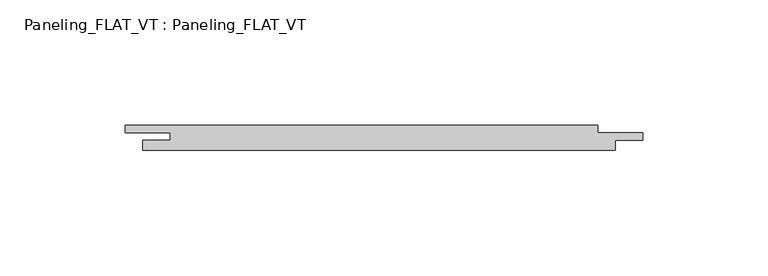
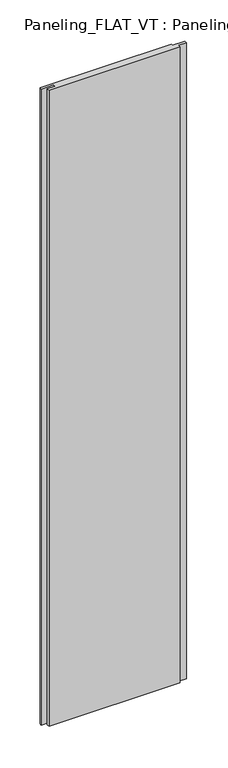
"""IFC4 building model written with IfcOpenShell, lengths in millimetres: plate geometry, Paneling_FLAT_VT : Paneling_FLAT_VT."""

from ifc_helpers import new_model, si_unit, origin, origin_with_axes, place, context, project, spatial, polyline, outline, extrude, source, transform, mapped, element, save


def paneling_flat_vt_paneling_flat_vt_b7be9dba(model_context):
    return source(origin(), model_context, "Body", "SweptSolid", [
        extrude(outline(polyline([(87.5, 5.0), (87.5, 2.0), (105.5, 2.0), (105.5, -1.0), (94.5, -1.0), (94.5, -5.0), (-94.5, -5.0), (-94.5, -1.0), (-83.5, -1.0), (-83.5, 2.0), (-101.5, 2.0), (-101.5, 5.0), (87.5, 5.0)])), origin_with_axes(), (0.0, 0.0, 1.0), 966.8),
    ])


if __name__ == "__main__":
    model = new_model("IFC4")
    model_context = context("Model", 3, world=origin())
    ifc_project = project(units=[si_unit("LENGTHUNIT", "METRE", prefix="MILLI")], contexts=[model_context])
    site = spatial("IfcSite", under=ifc_project)
    building = spatial("IfcBuilding", under=site)
    placement = place(None, origin())
    paneling_flat_vt_paneling_flat_vt_shape = paneling_flat_vt_paneling_flat_vt_b7be9dba(model_context)
    element("IfcPlate", 1, ObjectType="Paneling_FLAT_VT : Paneling_FLAT_VT", at=placement, inside=building, context=model_context, shape_type="MappedRepresentation", body=[
        mapped(paneling_flat_vt_paneling_flat_vt_shape, transform((0.0, 0.0, 0.0), x_axis=(1.0, 0.0, 0.0), y_axis=(0.0, 1.0, 0.0), z_axis=(0.0, 0.0, 1.0))),
    ])
    save(model, "model.ifc")
